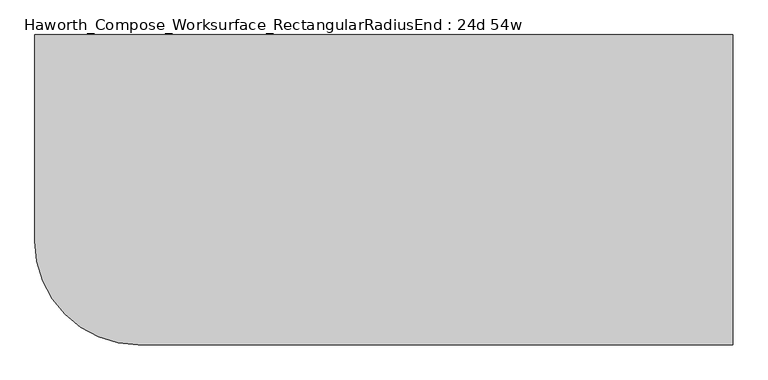
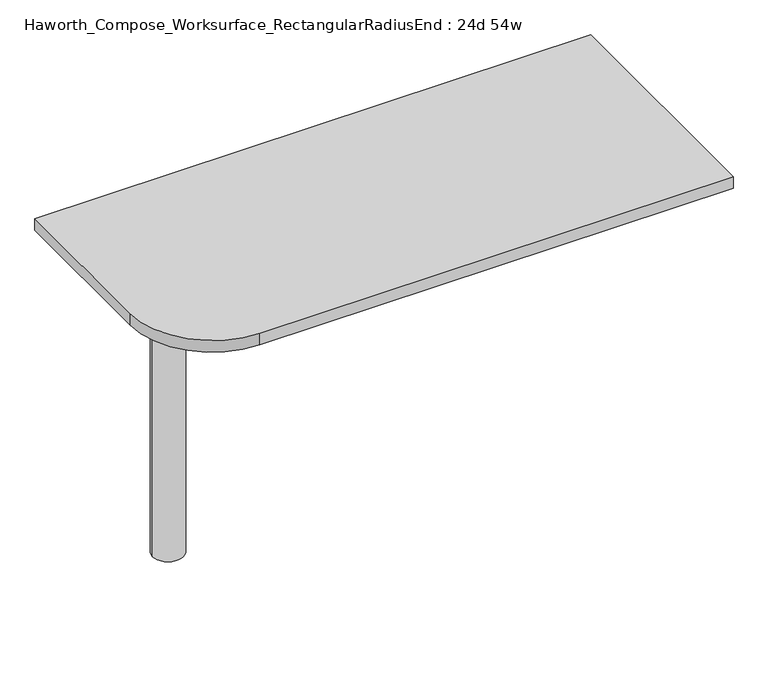
"""IFC4 building model written with IfcOpenShell, lengths in millimetres: furniture geometry, Haworth_Compose_Worksurface_RectangularRadiusEnd : 24d 54w."""

from ifc_helpers import new_model, si_unit, point, frame, frame_2d, origin, place, context, project, spatial, polyline, circle_curve, trimmed, segment, composite_curve, outline, extrude, source, transform, mapped, element, save
from ifc_brep_helpers import plane_surface, cylinder_surface, revolved_surface, advanced_brep


def haworth_compose_worksurface_rectangularradiusend_24d_54w_7cc4a540(model_context):
    return source(origin(), model_context, "Body", "SolidModel", [
        advanced_brep(
        [(680.24375, 304.8, 475.45625), (680.24375, 288.925, 475.45625), (680.24375, -101.6, 691.7192568), (680.24375, -101.6, 704.05625), (680.24375, 288.925, 704.05625), (680.24375, 304.8, 704.05625), (680.24375, 221.490072, 665.95625), (680.24375, 177.8355284, 665.95625), (680.24375, 175.1564235, 656.3705539), (680.24375, 266.8776173, 605.5776439), (680.24375, 276.225, 611.1756969), (680.24375, 276.225, 634.6860246), (680.24375, 274.4730055, 637.5242776), (680.24375, 224.5663437, 665.1613425), (682.625, 304.8, 475.45625), (682.625, 304.8, 704.05625), (682.625, 288.925, 704.05625), (682.625, 288.925, 706.4375), (682.625, -101.6, 706.4375), (682.625, -101.6, 691.7192568), (682.625, 288.925, 475.45625), (682.625, 221.490072, 665.95625), (682.625, 224.5663437, 665.1613425), (682.625, 274.4730055, 637.5242776), (682.625, 276.225, 634.6860246), (682.625, 276.225, 611.1756969), (682.625, 266.8776173, 605.5776439), (682.625, 175.1564235, 656.3705539), (682.625, 177.8355284, 665.95625), (641.35, -101.6, 706.4375), (641.35, -101.6, 704.05625), (641.35, 288.925, 704.05625), (641.35, 288.925, 706.4375)],
        [
            (0, 1),
            (1, 2),
            (2, 3),
            (3, 4),
            (4, 5),
            (5, 0),
            (6, 7),
            (7, 8, circle_curve(frame((680.24375, 177.8355284, 660.7890106), z_axis=(1.0, 0.0, 0.0), x_axis=(0.0, -1.0, 0.0)), 5.1672394)),
            (8, 9),
            (9, 10, circle_curve(frame((680.24375, 269.875, 611.1756969), z_axis=(1.0, 0.0, 0.0), x_axis=(0.0, -1.0, 0.0)), 6.35)),
            (10, 11),
            (11, 12, circle_curve(frame((680.24375, 273.05, 634.6860246), z_axis=(1.0, 0.0, 0.0), x_axis=(0.0, -1.0, 0.0)), 3.175)),
            (12, 13),
            (13, 6, circle_curve(frame((680.24375, 221.490072, 659.60625), z_axis=(1.0, 0.0, 0.0), x_axis=(0.0, -1.0, 0.0)), 6.35)),
            (14, 15),
            (15, 16),
            (16, 17),
            (17, 18),
            (18, 19),
            (19, 20),
            (20, 14),
            (21, 22, circle_curve(frame((682.625, 221.490072, 659.60625), z_axis=(-1.0, 0.0, 0.0), x_axis=(0.0, -1.0, 0.0)), 6.35)),
            (22, 23),
            (23, 24, circle_curve(frame((682.625, 273.05, 634.6860246), z_axis=(-1.0, 0.0, 0.0), x_axis=(0.0, -1.0, 0.0)), 3.175)),
            (24, 25),
            (25, 26, circle_curve(frame((682.625, 269.875, 611.1756969), z_axis=(-1.0, 0.0, 0.0), x_axis=(0.0, -1.0, 0.0)), 6.35)),
            (26, 27),
            (27, 28, circle_curve(frame((682.625, 177.8355284, 660.7890106), z_axis=(-1.0, 0.0, 0.0), x_axis=(0.0, -1.0, 0.0)), 5.1672394)),
            (28, 21),
            (4, 16),
            (15, 5),
            (14, 0),
            (20, 1),
            (19, 2),
            (18, 29),
            (29, 30),
            (30, 3),
            (6, 21),
            (28, 7),
            (9, 26),
            (25, 10),
            (24, 11),
            (23, 12),
            (27, 8),
            (31, 4),
            (30, 31),
            (32, 29),
            (17, 32),
            (31, 32),
            (22, 13),
        ],
        [
            plane_surface(frame((680.24375, 304.8, 475.45625), z_axis=(-1.0, 0.0, 0.0), x_axis=(0.0, 1.0, 0.0))),
            plane_surface(frame((682.625, 304.8, 475.45625), z_axis=(1.0, 0.0, 0.0), x_axis=(0.0, -1.0, 0.0))),
            plane_surface(frame((682.625, -101.6, 704.05625), z_axis=(0.0, 0.0, 1.0), x_axis=(-1.0, 0.0, 0.0))),
            plane_surface(frame((682.625, 304.8, 704.05625), z_axis=(0.0, 1.0, 0.0), x_axis=(-1.0, 0.0, 0.0))),
            plane_surface(frame((682.625, 304.8, 475.45625), z_axis=(0.0, 0.0, -1.0), x_axis=(-1.0, 0.0, 0.0))),
            plane_surface(frame((682.625, 288.925, 475.45625), z_axis=(0.0, -0.48445223513455843, -0.8748177135112952), x_axis=(-1.0, 0.0, 0.0))),
            plane_surface(frame((682.625, -101.6, 691.7192568), z_axis=(0.0, -1.0, 0.0), x_axis=(-1.0, 0.0, 0.0))),
            plane_surface(frame((682.625, 221.490072, 665.95625), z_axis=(0.0, 0.0, -1.0), x_axis=(-1.0, 0.0, 0.0))),
            revolved_surface(polyline([(680.24375, 263.525, 611.1756969), (682.625, 263.525, 611.1756969)]), (682.625, 269.875, 611.1756969), (-1.0, 0.0, 0.0)),
            plane_surface(frame((682.625, 276.225, 611.1756969), z_axis=(0.0, -1.0, 0.0), x_axis=(-1.0, 0.0, 0.0))),
            revolved_surface(polyline([(680.24375, 269.875, 634.6860246), (682.625, 269.875, 634.6860246)]), (682.625, 273.05, 634.6860246), (-1.0, 0.0, 0.0)),
            revolved_surface(polyline([(680.24375, 172.668289, 660.7890106), (682.625, 172.668289, 660.7890106)]), (682.625, 177.8355284, 660.7890106), (-1.0, 0.0, 0.0)),
            plane_surface(frame((682.625, 288.925, 704.05625), z_axis=(0.0, 0.0, -1.0), x_axis=(-1.0, 0.0, 0.0))),
            plane_surface(frame((682.625, 288.925, 706.4375), z_axis=(0.0, 0.0, 1.0), x_axis=(1.0, 0.0, 0.0))),
            plane_surface(frame((641.35, 288.925, 706.4375), z_axis=(0.0, 1.0, 0.0), x_axis=(0.0, 0.0, -1.0))),
            plane_surface(frame((641.35, -101.6, 706.4375), z_axis=(-1.0, 0.0, 0.0), x_axis=(0.0, 0.0, -1.0))),
            plane_surface(frame((682.625, 175.1564235, 656.3705539), z_axis=(0.0, 0.4844522351345583, 0.8748177135112953), x_axis=(-1.0, 0.0, 0.0))),
            plane_surface(frame((682.625, 274.4730055, 637.5242776), z_axis=(0.0, -0.4844522351345582, -0.8748177135112953), x_axis=(-1.0, 0.0, 0.0))),
            revolved_surface(polyline([(680.24375, 215.140072, 659.60625), (682.625, 215.140072, 659.60625)]), (682.625, 221.490072, 659.60625), (-1.0, 0.0, 0.0)),
        ],
        [
            (0, [[1, 2, 3, 4, 5, 6], [7, 8, 9, 10, 11, 12, 13, 14]]),
            (1, [[15, 16, 17, 18, 19, 20, 21], [22, 23, 24, 25, 26, 27, 28, 29]]),
            (2, [[-5, 30, -16, 31]]),
            (3, [[-31, -15, 32, -6]]),
            (4, [[-32, -21, 33, -1]]),
            (5, [[-33, -20, 34, -2]]),
            (6, [[-34, -19, 35, 36, 37, -3]]),
            (7, [[38, -29, 39, -7]]),
            (8, [[40, -26, 41, -10]]),
            (9, [[-41, -25, 42, -11]]),
            (10, [[-42, -24, 43, -12]]),
            (11, [[-39, -28, 44, -8]]),
            (12, [[45, -4, -37, 46]]),
            (13, [[47, -35, -18, 48]]),
            (14, [[-17, -30, -45, 49, -48]]),
            (15, [[-36, -47, -49, -46]]),
            (16, [[-44, -27, -40, -9]]),
            (17, [[-43, -23, 50, -13]]),
            (18, [[-50, -22, -38, -14]]),
        ],
    ),
        advanced_brep(
        [(-495.3, 0.0, 706.4375), (-571.5, 0.0, 706.4375), (-533.4, 0.0, 706.4375), (-495.3, 0.0, 0.0), (-571.5, 0.0, 0.0), (-533.4, 0.0, 0.0)],
        [
            (0, 1, circle_curve(frame((-533.4, 0.0, 706.4375), z_axis=(0.0, 0.0, 1.0), x_axis=(-1.0, 0.0, 0.0)), 38.1)),
            (1, 2),
            (2, 0),
            (1, 0, circle_curve(frame((-533.4, 0.0, 706.4375), z_axis=(0.0, 0.0, 1.0), x_axis=(-1.0, 0.0, 0.0)), 38.1)),
            (3, 4, circle_curve(frame((-533.4, 0.0, 0.0), z_axis=(0.0, 0.0, 1.0), x_axis=(-1.0, 0.0, 0.0)), 38.1)),
            (4, 1),
            (0, 3),
            (4, 3, circle_curve(frame((-533.4, 0.0, 0.0), z_axis=(0.0, 0.0, 1.0), x_axis=(-1.0, 0.0, 0.0)), 38.1)),
            (5, 4),
            (3, 5),
        ],
        [
            plane_surface(frame((-533.4, 0.0, 706.4375), z_axis=(0.0, 0.0, 1.0), x_axis=(-1.0, 0.0, 0.0))),
            cylinder_surface(frame((-533.4, 0.0, 889.623257), z_axis=(0.0, 0.0, -1.0), x_axis=(-1.0, 0.0, 0.0)), 38.1),
            plane_surface(frame((-533.4, 0.0, 0.0), z_axis=(0.0, 0.0, -1.0), x_axis=(-1.0, 0.0, 0.0))),
        ],
        [
            (0, [[1, 2, 3]]),
            (0, [[4, -3, -2]]),
            (1, [[5, 6, -1, 7]]),
            (1, [[8, -7, -4, -6]]),
            (2, [[9, -5, 10]]),
            (2, [[-10, -8, -9]]),
        ],
    ),
        extrude(outline(composite_curve([segment(polyline([(685.8, 304.8), (685.8, -304.8), (-482.6, -304.8)]), True, "CONTINUOUS"), segment(trimmed(circle_curve(frame_2d((-482.6, -101.6)), 203.2), [point((-482.6, -304.8))], [point((-685.8, -101.6))], False, "CARTESIAN"), True, "CONTINUOUS"), segment(polyline([(-685.8, -101.6), (-685.8, 304.8), (685.8, 304.8)]), True, "CONTINUOUS")], self_intersect=False)), frame((0.0, 0.0, 706.4375), z_axis=(0.0, 0.0, 1.0), x_axis=(1.0, 0.0, 0.0)), (0.0, 0.0, 1.0), 30.1625),
    ])


if __name__ == "__main__":
    model = new_model("IFC4")
    model_context = context("Model", 3, world=origin())
    ifc_project = project(units=[si_unit("LENGTHUNIT", "METRE", prefix="MILLI")], contexts=[model_context])
    site = spatial("IfcSite", under=ifc_project)
    building = spatial("IfcBuilding", under=site)
    placement = place(None, origin())
    haworth_compose_worksurface_rectangularradiusend_24d_54w_shape = haworth_compose_worksurface_rectangularradiusend_24d_54w_7cc4a540(model_context)
    element("IfcFurniture", 1, ObjectType="Haworth_Compose_Worksurface_RectangularRadiusEnd : 24d 54w", at=placement, inside=building, context=model_context, shape_type="MappedRepresentation", body=[
        mapped(haworth_compose_worksurface_rectangularradiusend_24d_54w_shape, transform((0.0, 0.0, 0.0), x_axis=(1.0, 0.0, 0.0), y_axis=(0.0, 1.0, 0.0), z_axis=(0.0, 0.0, 1.0))),
    ])
    save(model, "model.ifc")
